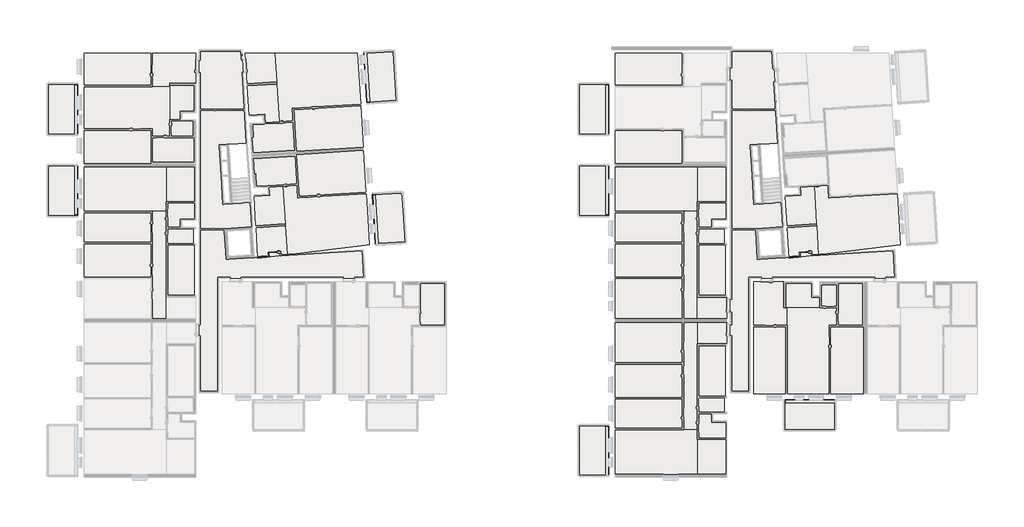
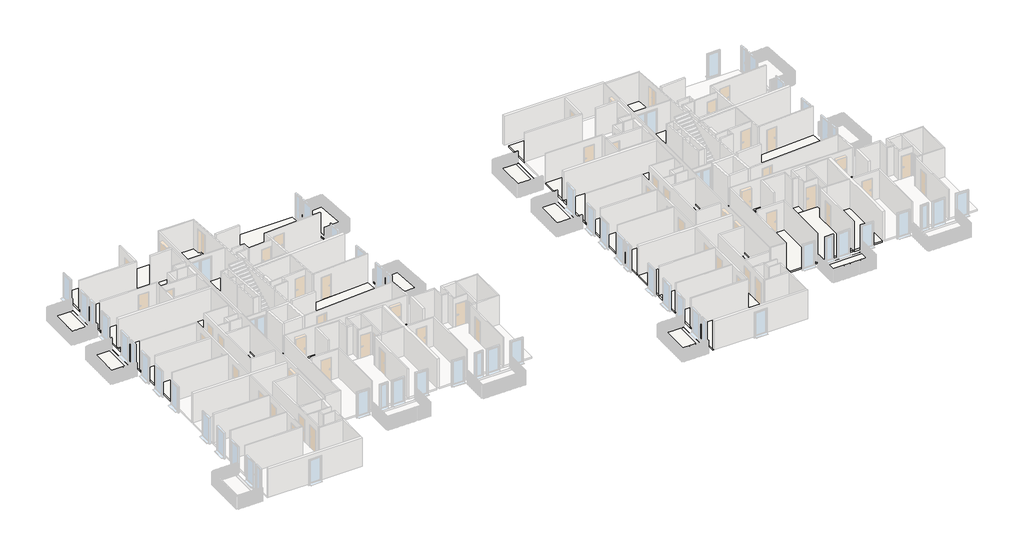
# One storey, part 7 of 8: 68 slabs.
"""IFC4 building model written with IfcOpenShell, lengths in millimetres."""

from ifc_helpers import new_model, si_unit, frame, origin, place, context, project, spatial, polyline, outline, extrude, faceted_brep, element, save

model = new_model("IFC4")

# Units and contexts
model_context = context("Model", 3, world=origin())
ifc_project = project(units=[si_unit("LENGTHUNIT", "METRE", prefix="MILLI")], contexts=[model_context])

# Site, building, storey
site = spatial("IfcSite", under=ifc_project)
building = spatial("IfcBuilding", under=site)
storey = spatial("IfcBuildingStorey", under=building, Elevation=7000.0)

# Slabs
placement = place(None, origin())
element("IfcSlab", 1, at=placement, inside=storey, context=model_context, shape_type="SweptSolid", body=[
    extrude(outline(polyline([(16799.5112257, 16899.4012959), (16799.5112257, 8823.2434159), (15399.5112257, 8823.2434159), (15399.5112257, 33257.8507754), (18433.39126, 33257.8507754), (18842.3075989, 26572.1277324), (16819.5461443, 26448.0068185), (17079.8455329, 22205.9854418), (19101.7638788, 22330.0550533), (19208.8790417, 20578.7376205), (17182.7089753, 20454.8117504), (17317.0157622, 18258.9151939), (19313.2417854, 18381.0096079), (19308.6631449, 18455.8697177), (27044.2722099, 18928.9998366), (27168.4077745, 16899.4012959), (16799.5112257, 16899.4012959)])), frame((0.0, 0.0, 6850.0), z_axis=(0.0, 0.0, 1.0), x_axis=(1.0, 0.0, 0.0)), (0.0, 0.0, 1.0), 150.0),
])
element("IfcSlab", 2, at=placement, inside=storey, context=model_context, shape_type="SweptSolid", body=[
    extrude(outline(polyline([(32969.5112257, 13549.4012959), (31219.5112257, 13549.4012959), (31219.5112257, 14797.6267748), (31219.5112257, 14900.8173193), (31219.5112257, 16549.4012959), (32969.5112257, 16549.4012959), (32969.5112257, 13549.4012959)])), frame((0.0, 0.0, 6850.0), z_axis=(0.0, 0.0, 1.0), x_axis=(1.0, 0.0, 0.0)), (0.0, 0.0, 1.0), 150.0),
])
element("IfcSlab", 3, at=placement, inside=storey, context=model_context, shape_type="SweptSolid", body=[
    extrude(outline(polyline([(22254.6510748, 25649.1348322), (22376.7481538, 23652.8652354), (21378.613366, 23591.8166965), (20382.0708537, 23530.8655454), (20380.478557, 23530.7681563), (20330.5718171, 23527.7157293), (19482.1604372, 23475.8246664), (19427.8752931, 24364.1575393), (19328.0106807, 24358.0575869), (19260.2466795, 25465.9892136), (22254.6510748, 25649.1348322)])), frame((0.0, 0.0, 6850.0), z_axis=(0.0, 0.0, 1.0), x_axis=(1.0, 0.0, 0.0)), (0.0, 0.0, 1.0), 150.0),
])
element("IfcSlab", 4, at=placement, inside=storey, context=model_context, shape_type="SweptSolid", body=[
    extrude(outline(polyline([(19453.8341031, 20668.8598298), (19325.63217, 22764.9429065), (20423.2125347, 22832.0737974), (20386.5834109, 23430.9546765), (21384.71822, 23492.0032167), (21549.5492767, 20797.0392609), (19453.8341031, 20668.8598298)])), frame((0.0, 0.0, 6850.0), z_axis=(0.0, 0.0, 1.0), x_axis=(1.0, 0.0, 0.0)), (0.0, 0.0, 1.0), 150.0),
])
element("IfcSlab", 5, at=placement, inside=storey, context=model_context, shape_type="SweptSolid", body=[
    extrude(outline(polyline([(21684.688137, 18587.5384267), (19596.8127532, 18331.1795644), (19462.991384, 20519.1396101), (21558.7065577, 20647.3190412), (21684.688137, 18587.5384267)])), frame((0.0, 0.0, 6850.0), z_axis=(0.0, 0.0, 1.0), x_axis=(1.0, 0.0, 0.0)), (0.0, 0.0, 1.0), 150.0),
])
element("IfcSlab", 6, at=placement, inside=storey, context=model_context, shape_type="Brep", body=[
    faceted_brep([(27329.0252748, 22953.8908284, 6850.0), (27552.0201886, 19307.9562163, 6850.0), (21684.688137, 18587.5384267, 6850.0), (21558.7065577, 20647.3190412, 6850.0), (21554.1279172, 20722.179151, 6850.0), (21549.5492767, 20797.0392609, 6850.0), (21384.71822, 23492.0032167, 6850.0), (22382.8530078, 23553.0517556, 6850.0), (22437.7966912, 22654.7304725, 6850.0), (27552.0201886, 19307.9562163, 7000.0), (27329.0252748, 22953.8908284, 7000.0), (22437.7966912, 22654.7304725, 7000.0), (22382.8530078, 23553.0517556, 7000.0), (21384.71822, 23492.0032167, 7000.0), (21549.5492767, 20797.0392609, 7000.0), (21554.1279172, 20722.179151, 7000.0), (21558.7065577, 20647.3190412, 7000.0), (21684.688137, 18587.5384267, 7000.0)], [[[0, 1, 2, 3, 4, 5, 6, 7, 8]], [[9, 10, 11, 12, 13, 14, 15, 16, 17]], [[1, 0, 10, 9]], [[2, 1, 9, 17]], [[4, 3, 2, 17, 16, 15]], [[4, 15, 14, 13, 6, 5]], [[7, 6, 13, 12]], [[8, 7, 12, 11]], [[0, 8, 11, 10]]]),
])
element("IfcSlab", 7, at=placement, inside=storey, context=model_context, shape_type="SweptSolid", body=[
    extrude(outline(polyline([(27139.7748044, 26048.108668), (27322.9204209, 23053.7043082), (22531.5053171, 22760.6488063), (22479.6140606, 23609.0633494), (22351.4121276, 25705.1464261), (22348.3597006, 25755.053166), (27139.7748044, 26048.108668)])), frame((0.0, 0.0, 6850.0), z_axis=(0.0, 0.0, 1.0), x_axis=(1.0, 0.0, 0.0)), (0.0, 0.0, 1.0), 150.0),
])
element("IfcSlab", 8, at=placement, inside=storey, context=model_context, shape_type="SweptSolid", body=[
    extrude(outline(polyline([(22229.0106882, 26068.3514476), (19234.6062929, 25885.205829), (19166.8422917, 26993.1374557), (19268.6718177, 26999.3737506), (19214.2917911, 27887.7007149), (20060.7372723, 27939.4715384), (20110.6440122, 27942.5239653), (20112.236309, 27942.6213544), (21108.7788213, 28003.5725055), (22106.9136091, 28064.6210444), (22229.0106882, 26068.3514476)])), frame((0.0, 0.0, 6850.0), z_axis=(0.0, 0.0, 1.0), x_axis=(1.0, 0.0, 0.0)), (0.0, 0.0, 1.0), 150.0),
])
element("IfcSlab", 9, at=placement, inside=storey, context=model_context, shape_type="SweptSolid", body=[
    extrude(outline(polyline([(18970.3296699, 28574.0874333), (18842.1277369, 30670.17051), (20937.8429106, 30798.3499411), (21102.6739673, 28103.3859854), (20104.5391583, 28042.3374452), (20067.9100346, 28641.2183242), (18970.3296699, 28574.0874333)])), frame((0.0, 0.0, 6850.0), z_axis=(0.0, 0.0, 1.0), x_axis=(1.0, 0.0, 0.0)), (0.0, 0.0, 1.0), 150.0),
])
element("IfcSlab", 10, at=placement, inside=storey, context=model_context, shape_type="SweptSolid", body=[
    extrude(outline(polyline([(18699.1490868, 33007.8507754), (20802.7040503, 33007.8507754), (20928.6856297, 30948.0701609), (18832.970456, 30819.8907298), (18699.1490868, 33007.8507754)])), frame((0.0, 0.0, 6850.0), z_axis=(0.0, 0.0, 1.0), x_axis=(1.0, 0.0, 0.0)), (0.0, 0.0, 1.0), 150.0),
])
element("IfcSlab", 11, at=placement, inside=storey, context=model_context, shape_type="Brep", body=[
    faceted_brep([(26937.0936553, 29361.9161633, 6850.0), (22045.8650717, 29062.7558074, 6850.0), (22100.8087551, 28164.4345243, 6850.0), (21102.6739673, 28103.3859854, 6850.0), (20937.8429106, 30798.3499411, 6850.0), (20933.2642701, 30873.210051, 6850.0), (20928.6856297, 30948.0701609, 6850.0), (20802.7040503, 33007.8507754, 6850.0), (26714.0987416, 33007.8507754, 6850.0), (26937.0936553, 29361.9161633, 7000.0), (26714.0987416, 33007.8507754, 7000.0), (20802.7040503, 33007.8507754, 7000.0), (20928.6856297, 30948.0701609, 7000.0), (20933.2642701, 30873.210051, 7000.0), (20937.8429106, 30798.3499411, 7000.0), (21102.6739673, 28103.3859854, 7000.0), (22100.8087551, 28164.4345243, 7000.0), (22045.8650717, 29062.7558074, 7000.0)], [[[0, 1, 2, 3, 4, 5, 6, 7, 8]], [[9, 10, 11, 12, 13, 14, 15, 16, 17]], [[0, 8, 10, 9]], [[8, 7, 11, 10]], [[7, 6, 5, 13, 12, 11]], [[5, 4, 3, 15, 14, 13]], [[3, 2, 16, 15]], [[2, 1, 17, 16]], [[1, 0, 9, 17]]]),
])
element("IfcSlab", 12, at=placement, inside=storey, context=model_context, shape_type="SweptSolid", body=[
    extrude(outline(polyline([(27126.3441257, 26267.6983237), (22334.929022, 25974.6428217), (22331.876595, 26024.5495616), (22203.674662, 28120.6326383), (22151.7834055, 28969.0471815), (26943.1985093, 29262.1026834), (27126.3441257, 26267.6983237)])), frame((0.0, 0.0, 6850.0), z_axis=(0.0, 0.0, 1.0), x_axis=(1.0, 0.0, 0.0)), (0.0, 0.0, 1.0), 150.0),
])
element("IfcSlab", 13, at=placement, inside=storey, context=model_context, shape_type="SweptSolid", body=[
    extrude(outline(polyline([(7149.5112257, 33007.8507754), (11949.5112257, 33007.8507754), (11949.5112257, 30745.4834078), (11949.5112257, 30707.7138078), (7149.5112257, 30707.7138078), (7149.5112257, 33007.8507754)])), frame((0.0, 0.0, 6850.0), z_axis=(0.0, 0.0, 1.0), x_axis=(1.0, 0.0, 0.0)), (0.0, 0.0, 1.0), 150.0),
])
element("IfcSlab", 14, at=placement, inside=storey, context=model_context, shape_type="SweptSolid", body=[
    extrude(outline(polyline([(15149.5112257, 33007.8507754), (15149.5112257, 30857.8507754), (15099.5112257, 30857.8507754), (13299.3319768, 30857.8507754), (13299.3319768, 30607.7138078), (12049.5112257, 30607.7138078), (12049.5112257, 33007.8507754), (15149.5112257, 33007.8507754)])), frame((0.0, 0.0, 6850.0), z_axis=(0.0, 0.0, 1.0), x_axis=(1.0, 0.0, 0.0)), (0.0, 0.0, 1.0), 150.0),
])
element("IfcSlab", 15, at=placement, inside=storey, context=model_context, shape_type="SweptSolid", body=[
    extrude(outline(polyline([(12049.5112257, 25207.8507754), (12049.5112257, 26957.8507754), (13297.7367046, 26957.8507754), (13400.927249, 26957.8507754), (15049.5112257, 26957.8507754), (15049.5112257, 25207.8507754), (12049.5112257, 25207.8507754)])), frame((0.0, 0.0, 6850.0), z_axis=(0.0, 0.0, 1.0), x_axis=(1.0, 0.0, 0.0)), (0.0, 0.0, 1.0), 150.0),
])
element("IfcSlab", 16, at=placement, inside=storey, context=model_context, shape_type="SweptSolid", body=[
    extrude(outline(polyline([(7149.5112257, 25107.8507754), (7149.5112257, 27507.8518111), (11949.5112257, 27507.8518111), (11949.5112257, 27059.4460476), (11949.5112257, 27057.8507754), (11949.5112257, 27007.8507754), (11949.5112257, 26956.2555032), (11949.5112257, 25157.8507754), (11949.5112257, 25107.8507754), (7149.5112257, 25107.8507754)])), frame((0.0, 0.0, 6850.0), z_axis=(0.0, 0.0, 1.0), x_axis=(1.0, 0.0, 0.0)), (0.0, 0.0, 1.0), 150.0),
])
element("IfcSlab", 17, at=placement, inside=storey, context=model_context, shape_type="SweptSolid", body=[
    extrude(outline(polyline([(14949.5112257, 27057.8507754), (13399.3319768, 27057.8507754), (13399.3319768, 28157.8507754), (13437.1015768, 28157.8507754), (14099.5118842, 28157.8507754), (14949.5112257, 28157.8507754), (14949.5112257, 27057.8507754)])), frame((0.0, 0.0, 6850.0), z_axis=(0.0, 0.0, 1.0), x_axis=(1.0, 0.0, 0.0)), (0.0, 0.0, 1.0), 150.0),
])
element("IfcSlab", 18, at=placement, inside=storey, context=model_context, shape_type="SweptSolid", body=[
    extrude(outline(polyline([(14049.5118842, 28257.8507754), (13299.3319768, 28257.8507754), (13299.3319768, 30607.7138078), (13299.3319768, 30707.8507754), (15049.5112257, 30707.8507754), (15049.5112257, 28857.8507754), (14049.5118842, 28857.8507754), (14049.5118842, 28257.8507754)])), frame((0.0, 0.0, 6850.0), z_axis=(0.0, 0.0, 1.0), x_axis=(1.0, 0.0, 0.0)), (0.0, 0.0, 1.0), 150.0),
])
element("IfcSlab", 19, at=placement, inside=storey, context=model_context, shape_type="Brep", body=[
    faceted_brep([(7149.5112257, 27607.8518111, 6850.0), (7149.5112257, 30607.7138078, 6850.0), (11999.5112257, 30607.7138078, 6850.0), (12049.5112257, 30607.7138078, 6850.0), (12152.5208257, 30607.7138078, 6850.0), (13299.3319768, 30607.7138078, 6850.0), (13299.3319768, 28360.8603754, 6850.0), (13299.3319768, 28257.8507754, 6850.0), (13299.3319768, 28207.8507754, 6850.0), (13299.3319768, 27057.8507754, 6850.0), (12049.5112257, 27057.8507754, 6850.0), (12049.5112257, 27607.8518111, 6850.0), (7149.5112257, 27607.8518111, 7000.0), (12049.5112257, 27607.8518111, 7000.0), (12049.5112257, 27057.8507754, 7000.0), (13299.3319768, 27057.8507754, 7000.0), (13299.3319768, 28207.8507754, 7000.0), (13299.3319768, 28257.8507754, 7000.0), (13299.3319768, 28360.8603754, 7000.0), (13299.3319768, 30607.7138078, 7000.0), (12152.5208257, 30607.7138078, 7000.0), (12049.5112257, 30607.7138078, 7000.0), (11999.5112257, 30607.7138078, 7000.0), (7149.5112257, 30607.7138078, 7000.0)], [[[0, 1, 2, 3, 4, 5, 6, 7, 8, 9, 10, 11]], [[12, 13, 14, 15, 16, 17, 18, 19, 20, 21, 22, 23]], [[1, 0, 12, 23]], [[2, 1, 23, 22]], [[4, 3, 2, 22, 21, 20]], [[5, 4, 20, 19]], [[6, 5, 19, 18]], [[8, 7, 6, 18, 17, 16]], [[9, 8, 16, 15]], [[10, 9, 15, 14]], [[11, 10, 14, 13]], [[0, 11, 13, 12]]]),
])
element("IfcSlab", 20, at=placement, inside=storey, context=model_context, shape_type="SweptSolid", body=[
    extrude(outline(polyline([(7149.5112471, 19387.853908), (11949.5112159, 19387.853908), (11949.5112159, 16987.853908), (7149.5112471, 16987.853908), (7149.5112471, 19387.853908)])), frame((0.0, 0.0, 6850.0), z_axis=(0.0, 0.0, 1.0), x_axis=(1.0, 0.0, 0.0)), (0.0, 0.0, 1.0), 150.0),
])
element("IfcSlab", 21, at=placement, inside=storey, context=model_context, shape_type="SweptSolid", body=[
    extrude(outline(polyline([(7149.5112471, 21587.853908), (11949.5112159, 21587.853908), (11949.5112159, 21550.084308), (11949.5112159, 19487.853908), (7149.5112471, 19487.853908), (7149.5112471, 21587.853908)])), frame((0.0, 0.0, 6850.0), z_axis=(0.0, 0.0, 1.0), x_axis=(1.0, 0.0, 0.0)), (0.0, 0.0, 1.0), 150.0),
])
element("IfcSlab", 22, at=placement, inside=storey, context=model_context, shape_type="Brep", body=[
    faceted_brep([(7149.5112471, 24887.8507754, 6850.0), (13024.5098195, 24887.8507754, 6850.0), (13024.5100626, 22387.850875, 6850.0), (13024.5101306, 21687.853908, 6850.0), (12152.5208159, 21687.853908, 6850.0), (12049.5112159, 21687.853908, 6850.0), (11999.5112159, 21687.853908, 6850.0), (7149.5112471, 21687.853908, 6850.0), (7149.5112471, 24887.8507754, 7000.0), (7149.5112471, 21687.853908, 7000.0), (11999.5112159, 21687.853908, 7000.0), (12049.5112159, 21687.853908, 7000.0), (12152.5208159, 21687.853908, 7000.0), (13024.5101306, 21687.853908, 7000.0), (13024.5100626, 22387.850875, 7000.0), (13024.5098195, 24887.8507754, 7000.0)], [[[0, 1, 2, 3, 4, 5, 6, 7]], [[8, 9, 10, 11, 12, 13, 14, 15]], [[0, 7, 9, 8]], [[7, 6, 10, 9]], [[6, 5, 4, 12, 11, 10]], [[4, 3, 13, 12]], [[3, 2, 1, 15, 14, 13]], [[1, 0, 8, 15]]]),
])
element("IfcSlab", 23, at=placement, inside=storey, context=model_context, shape_type="SweptSolid", body=[
    extrude(outline(polyline([(15084.5112471, 21137.8507754), (14049.5112471, 21137.8507754), (14049.5112471, 20537.8507754), (13124.5095814, 20537.8507754), (13124.5094696, 21687.8539128), (13124.5094113, 22287.8508848), (15084.5112471, 22287.8510753), (15084.5112471, 21137.8507754)])), frame((0.0, 0.0, 6850.0), z_axis=(0.0, 0.0, 1.0), x_axis=(1.0, 0.0, 0.0)), (0.0, 0.0, 1.0), 150.0),
])
element("IfcSlab", 24, at=placement, inside=storey, context=model_context, shape_type="SweptSolid", body=[
    extrude(outline(polyline([(14099.5112471, 20437.8507754), (14949.5113895, 20437.8507754), (14949.5113895, 19387.8507754), (13124.5096932, 19387.8507754), (13124.5095911, 20437.8507754), (14099.5112471, 20437.8507754)])), frame((0.0, 0.0, 6850.0), z_axis=(0.0, 0.0, 1.0), x_axis=(1.0, 0.0, 0.0)), (0.0, 0.0, 1.0), 150.0),
])
element("IfcSlab", 25, at=placement, inside=storey, context=model_context, shape_type="SweptSolid", body=[
    extrude(outline(polyline([(15024.5113895, 15687.8507754), (13162.2809895, 15687.8507754), (13124.5100528, 15687.8507754), (13124.5097029, 19287.8507754), (15024.5113895, 19287.8507754), (15024.5113895, 15687.8507754)])), frame((0.0, 0.0, 6850.0), z_axis=(0.0, 0.0, 1.0), x_axis=(1.0, 0.0, 0.0)), (0.0, 0.0, 1.0), 150.0),
])
element("IfcSlab", 26, at=placement, inside=storey, context=model_context, shape_type="Brep", body=[
    faceted_brep([(12049.5112159, 16937.853908, 6850.0), (12049.5112159, 19437.853908, 6850.0), (12049.5112159, 21687.853908, 6850.0), (13024.5094696, 21687.853908, 6850.0), (13024.5095862, 20487.8507705, 6850.0), (13024.509698, 19337.8507705, 6850.0), (13024.5100601, 15612.8507854, 6850.0), (13024.5100601, 15537.8507754, 6850.0), (13024.5100601, 15459.8411754, 6850.0), (13024.5100601, 13987.853908, 6850.0), (12049.5112159, 13987.853908, 6850.0), (12049.5112159, 16937.853908, 7000.0), (12049.5112159, 13987.853908, 7000.0), (13024.5100601, 13987.853908, 7000.0), (13024.5100601, 15459.8411754, 7000.0), (13024.5100601, 15537.8507754, 7000.0), (13024.5100601, 15612.8507854, 7000.0), (13024.509698, 19337.8507705, 7000.0), (13024.5095862, 20487.8507705, 7000.0), (13024.5094696, 21687.853908, 7000.0), (12049.5112159, 21687.853908, 7000.0), (12049.5112159, 19437.853908, 7000.0)], [[[0, 1, 2, 3, 4, 5, 6, 7, 8, 9, 10]], [[11, 12, 13, 14, 15, 16, 17, 18, 19, 20, 21]], [[0, 10, 12, 11]], [[10, 9, 13, 12]], [[9, 8, 14, 13]], [[8, 7, 6, 16, 15, 14]], [[6, 5, 17, 16]], [[5, 4, 18, 17]], [[4, 3, 19, 18]], [[3, 2, 20, 19]], [[2, 1, 21, 20]], [[1, 0, 11, 21]]]),
])
element("IfcSlab", 27, at=placement, inside=storey, context=model_context, shape_type="SweptSolid", body=[
    extrude(outline(polyline([(15084.5112471, 22387.8510753), (13024.5100626, 22387.850875), (13024.5098195, 24887.8507754), (15084.5112471, 24887.8507754), (15084.5112471, 22387.8510753)])), frame((0.0, 0.0, 6850.0), z_axis=(0.0, 0.0, 1.0), x_axis=(1.0, 0.0, 0.0)), (0.0, 0.0, 1.0), 150.0),
])
element("IfcSlab", 28, at=placement, inside=storey, context=model_context, shape_type="SweptSolid", body=[
    extrude(outline(polyline([(54799.5112257, 16899.4012959), (54799.5112257, 8823.2434159), (53399.5112257, 8823.2434159), (53399.5112257, 33157.8507754), (56439.507522, 33157.8507754), (56842.3075989, 26572.1277324), (54819.5461443, 26448.0068185), (55079.8455329, 22205.9854418), (57101.7638788, 22330.0550533), (57208.8790417, 20578.7376205), (55182.7089753, 20454.8117504), (55317.0157622, 18258.9151939), (57313.2417854, 18381.0096079), (57308.6631449, 18455.8697177), (65044.2722099, 18928.9998366), (65168.4077745, 16899.4012959), (54799.5112257, 16899.4012959)])), frame((0.0, 0.0, 6850.0), z_axis=(0.0, 0.0, 1.0), x_axis=(1.0, 0.0, 0.0)), (0.0, 0.0, 1.0), 150.0),
])
element("IfcSlab", 29, at=placement, inside=storey, context=model_context, shape_type="SweptSolid", body=[
    extrude(outline(polyline([(57453.8341031, 20668.8598298), (57325.63217, 22764.9429065), (58423.2125347, 22832.0737974), (58386.5834109, 23430.9546765), (59384.71822, 23492.0032167), (59549.5492767, 20797.0392609), (57453.8341031, 20668.8598298)])), frame((0.0, 0.0, 6850.0), z_axis=(0.0, 0.0, 1.0), x_axis=(1.0, 0.0, 0.0)), (0.0, 0.0, 1.0), 150.0),
])
element("IfcSlab", 30, at=placement, inside=storey, context=model_context, shape_type="SweptSolid", body=[
    extrude(outline(polyline([(59684.688137, 18587.5384267), (57596.8127532, 18331.1795644), (57462.991384, 20519.1396101), (59558.7065577, 20647.3190412), (59684.688137, 18587.5384267)])), frame((0.0, 0.0, 6850.0), z_axis=(0.0, 0.0, 1.0), x_axis=(1.0, 0.0, 0.0)), (0.0, 0.0, 1.0), 150.0),
])
element("IfcSlab", 31, at=placement, inside=storey, context=model_context, shape_type="Brep", body=[
    faceted_brep([(65329.0252748, 22953.8908284, 6850.0), (65552.0201886, 19307.9562163, 6850.0), (59684.688137, 18587.5384267, 6850.0), (59558.7065577, 20647.3190412, 6850.0), (59554.1279172, 20722.179151, 6850.0), (59549.5492767, 20797.0392609, 6850.0), (59384.71822, 23492.0032167, 6850.0), (60382.8530078, 23553.0517556, 6850.0), (60437.7966912, 22654.7304725, 6850.0), (65552.0201886, 19307.9562163, 7000.0), (65329.0252748, 22953.8908284, 7000.0), (60437.7966912, 22654.7304725, 7000.0), (60382.8530078, 23553.0517556, 7000.0), (59384.71822, 23492.0032167, 7000.0), (59549.5492767, 20797.0392609, 7000.0), (59554.1279172, 20722.179151, 7000.0), (59558.7065577, 20647.3190412, 7000.0), (59684.688137, 18587.5384267, 7000.0)], [[[0, 1, 2, 3, 4, 5, 6, 7, 8]], [[9, 10, 11, 12, 13, 14, 15, 16, 17]], [[1, 0, 10, 9]], [[2, 1, 9, 17]], [[4, 3, 2, 17, 16, 15]], [[4, 15, 14, 13, 6, 5]], [[7, 6, 13, 12]], [[8, 7, 12, 11]], [[0, 8, 11, 10]]]),
])
element("IfcSlab", 32, at=placement, inside=storey, context=model_context, shape_type="SweptSolid", body=[
    extrude(outline(polyline([(55049.5112257, 8649.4012959), (55049.5112257, 13449.4012959), (57311.8785933, 13449.4012959), (57349.6481933, 13449.4012959), (57349.6481933, 8649.4012959), (55049.5112257, 8649.4012959)])), frame((0.0, 0.0, 6850.0), z_axis=(0.0, 0.0, 1.0), x_axis=(1.0, 0.0, 0.0)), (0.0, 0.0, 1.0), 150.0),
])
element("IfcSlab", 33, at=placement, inside=storey, context=model_context, shape_type="SweptSolid", body=[
    extrude(outline(polyline([(55049.5112257, 16649.4012959), (57199.5112257, 16649.4012959), (57199.5112257, 16599.4012959), (57199.5112257, 14799.2220471), (57449.6481933, 14799.2220471), (57449.6481933, 13549.4012959), (55049.5112257, 13549.4012959), (55049.5112257, 16649.4012959)])), frame((0.0, 0.0, 6850.0), z_axis=(0.0, 0.0, 1.0), x_axis=(1.0, 0.0, 0.0)), (0.0, 0.0, 1.0), 150.0),
])
element("IfcSlab", 34, at=placement, inside=storey, context=model_context, shape_type="SweptSolid", body=[
    extrude(outline(polyline([(62849.5112257, 13549.4012959), (61099.5112257, 13549.4012959), (61099.5112257, 14797.6267748), (61099.5112257, 14900.8173193), (61099.5112257, 16549.4012959), (62849.5112257, 16549.4012959), (62849.5112257, 13549.4012959)])), frame((0.0, 0.0, 6850.0), z_axis=(0.0, 0.0, 1.0), x_axis=(1.0, 0.0, 0.0)), (0.0, 0.0, 1.0), 150.0),
])
element("IfcSlab", 35, at=placement, inside=storey, context=model_context, shape_type="SweptSolid", body=[
    extrude(outline(polyline([(62949.5112257, 8649.4012959), (60549.51019, 8649.4012959), (60549.51019, 13449.4012959), (60997.9159534, 13449.4012959), (60999.5112257, 13449.4012959), (61049.5112257, 13449.4012959), (61101.1064979, 13449.4012959), (62899.5112257, 13449.4012959), (62949.5112257, 13449.4012959), (62949.5112257, 8649.4012959)])), frame((0.0, 0.0, 6850.0), z_axis=(0.0, 0.0, 1.0), x_axis=(1.0, 0.0, 0.0)), (0.0, 0.0, 1.0), 150.0),
])
element("IfcSlab", 36, at=placement, inside=storey, context=model_context, shape_type="SweptSolid", body=[
    extrude(outline(polyline([(60999.5112257, 16449.4012959), (60999.5112257, 14899.2220471), (59899.5112257, 14899.2220471), (59899.5112257, 14936.9916471), (59899.5112257, 15599.4019544), (59899.5112257, 16449.4012959), (60999.5112257, 16449.4012959)])), frame((0.0, 0.0, 6850.0), z_axis=(0.0, 0.0, 1.0), x_axis=(1.0, 0.0, 0.0)), (0.0, 0.0, 1.0), 150.0),
])
element("IfcSlab", 37, at=placement, inside=storey, context=model_context, shape_type="SweptSolid", body=[
    extrude(outline(polyline([(59799.5112257, 15549.4019544), (59799.5112257, 14799.2220471), (57449.6481933, 14799.2220471), (57349.5112257, 14799.2220471), (57349.5112257, 16549.4012959), (59199.5112257, 16549.4012959), (59199.5112257, 15549.4019544), (59799.5112257, 15549.4019544)])), frame((0.0, 0.0, 6850.0), z_axis=(0.0, 0.0, 1.0), x_axis=(1.0, 0.0, 0.0)), (0.0, 0.0, 1.0), 150.0),
])
element("IfcSlab", 38, at=placement, inside=storey, context=model_context, shape_type="Brep", body=[
    faceted_brep([(60449.51019, 8649.4012959, 6850.0), (57449.6481933, 8649.4012959, 6850.0), (57449.6481933, 13499.4012959, 6850.0), (57449.6481933, 13549.4012959, 6850.0), (57449.6481933, 13652.4108959, 6850.0), (57449.6481933, 14799.2220471, 6850.0), (59696.5016257, 14799.2220471, 6850.0), (59799.5112257, 14799.2220471, 6850.0), (59849.5112257, 14799.2220471, 6850.0), (60999.5112257, 14799.2220471, 6850.0), (60999.5112257, 13549.4012959, 6850.0), (60449.51019, 13549.4012959, 6850.0), (60449.51019, 8649.4012959, 7000.0), (60449.51019, 13549.4012959, 7000.0), (60999.5112257, 13549.4012959, 7000.0), (60999.5112257, 14799.2220471, 7000.0), (59849.5112257, 14799.2220471, 7000.0), (59799.5112257, 14799.2220471, 7000.0), (59696.5016257, 14799.2220471, 7000.0), (57449.6481933, 14799.2220471, 7000.0), (57449.6481933, 13652.4108959, 7000.0), (57449.6481933, 13549.4012959, 7000.0), (57449.6481933, 13499.4012959, 7000.0), (57449.6481933, 8649.4012959, 7000.0)], [[[0, 1, 2, 3, 4, 5, 6, 7, 8, 9, 10, 11]], [[12, 13, 14, 15, 16, 17, 18, 19, 20, 21, 22, 23]], [[1, 0, 12, 23]], [[2, 1, 23, 22]], [[4, 3, 2, 22, 21, 20]], [[5, 4, 20, 19]], [[6, 5, 19, 18]], [[8, 7, 6, 18, 17, 16]], [[9, 8, 16, 15]], [[10, 9, 15, 14]], [[11, 10, 14, 13]], [[0, 11, 13, 12]]]),
])
element("IfcSlab", 39, at=placement, inside=storey, context=model_context, shape_type="SweptSolid", body=[
    extrude(outline(polyline([(45149.5112257, 33007.8507754), (49949.5112257, 33007.8507754), (49949.5112257, 30745.4834078), (49949.5112257, 30707.7138078), (45149.5112257, 30707.7138078), (45149.5112257, 33007.8507754)])), frame((0.0, 0.0, 6850.0), z_axis=(0.0, 0.0, 1.0), x_axis=(1.0, 0.0, 0.0)), (0.0, 0.0, 1.0), 150.0),
])
element("IfcSlab", 40, at=placement, inside=storey, context=model_context, shape_type="SweptSolid", body=[
    extrude(outline(polyline([(45149.5112257, 25107.8507754), (45149.5112257, 27507.8518111), (49949.5112257, 27507.8518111), (49949.5112257, 27059.4460476), (49949.5112257, 27057.8507754), (49949.5112257, 27007.8507754), (49949.5112257, 26956.2555032), (49949.5112257, 25157.8507754), (49949.5112257, 25107.8507754), (45149.5112257, 25107.8507754)])), frame((0.0, 0.0, 6850.0), z_axis=(0.0, 0.0, 1.0), x_axis=(1.0, 0.0, 0.0)), (0.0, 0.0, 1.0), 150.0),
])
element("IfcSlab", 41, at=placement, inside=storey, context=model_context, shape_type="SweptSolid", body=[
    extrude(outline(polyline([(45149.5112471, 16887.853908), (49949.5112159, 16887.853908), (49949.5112159, 13987.853908), (45149.5112471, 13987.853908), (45149.5112471, 16887.853908)])), frame((0.0, 0.0, 6850.0), z_axis=(0.0, 0.0, 1.0), x_axis=(1.0, 0.0, 0.0)), (0.0, 0.0, 1.0), 150.0),
])
element("IfcSlab", 42, at=placement, inside=storey, context=model_context, shape_type="SweptSolid", body=[
    extrude(outline(polyline([(45149.5112471, 19387.853908), (49949.5112159, 19387.853908), (49949.5112159, 16987.853908), (45149.5112471, 16987.853908), (45149.5112471, 19387.853908)])), frame((0.0, 0.0, 6850.0), z_axis=(0.0, 0.0, 1.0), x_axis=(1.0, 0.0, 0.0)), (0.0, 0.0, 1.0), 150.0),
])
element("IfcSlab", 43, at=placement, inside=storey, context=model_context, shape_type="SweptSolid", body=[
    extrude(outline(polyline([(45149.5112471, 21587.853908), (49949.5112159, 21587.853908), (49949.5112159, 21550.084308), (49949.5112159, 19487.853908), (45149.5112471, 19487.853908), (45149.5112471, 21587.853908)])), frame((0.0, 0.0, 6850.0), z_axis=(0.0, 0.0, 1.0), x_axis=(1.0, 0.0, 0.0)), (0.0, 0.0, 1.0), 150.0),
])
element("IfcSlab", 44, at=placement, inside=storey, context=model_context, shape_type="Brep", body=[
    faceted_brep([(45149.5112471, 24887.8507754, 6850.0), (51024.5098195, 24887.8507754, 6850.0), (51024.5100626, 22387.850875, 6850.0), (51024.5101306, 21687.853908, 6850.0), (50152.5208159, 21687.853908, 6850.0), (50049.5112159, 21687.853908, 6850.0), (49999.5112159, 21687.853908, 6850.0), (45149.5112471, 21687.853908, 6850.0), (45149.5112471, 24887.8507754, 7000.0), (45149.5112471, 21687.853908, 7000.0), (49999.5112159, 21687.853908, 7000.0), (50049.5112159, 21687.853908, 7000.0), (50152.5208159, 21687.853908, 7000.0), (51024.5101306, 21687.853908, 7000.0), (51024.5100626, 22387.850875, 7000.0), (51024.5098195, 24887.8507754, 7000.0)], [[[0, 1, 2, 3, 4, 5, 6, 7]], [[8, 9, 10, 11, 12, 13, 14, 15]], [[0, 7, 9, 8]], [[7, 6, 10, 9]], [[6, 5, 4, 12, 11, 10]], [[4, 3, 13, 12]], [[3, 2, 1, 15, 14, 13]], [[1, 0, 8, 15]]]),
])
element("IfcSlab", 45, at=placement, inside=storey, context=model_context, shape_type="SweptSolid", body=[
    extrude(outline(polyline([(53084.5112471, 21137.8507754), (52049.5112471, 21137.8507754), (52049.5112471, 20537.8507754), (51124.5095814, 20537.8507754), (51124.5094696, 21687.8539128), (51124.5094113, 22287.8508848), (53084.5112471, 22287.8510753), (53084.5112471, 21137.8507754)])), frame((0.0, 0.0, 6850.0), z_axis=(0.0, 0.0, 1.0), x_axis=(1.0, 0.0, 0.0)), (0.0, 0.0, 1.0), 150.0),
])
element("IfcSlab", 46, at=placement, inside=storey, context=model_context, shape_type="SweptSolid", body=[
    extrude(outline(polyline([(52099.5112471, 20437.8507754), (52949.5113895, 20437.8507754), (52949.5113895, 19387.8507754), (51124.5096932, 19387.8507754), (51124.5095911, 20437.8507754), (52099.5112471, 20437.8507754)])), frame((0.0, 0.0, 6850.0), z_axis=(0.0, 0.0, 1.0), x_axis=(1.0, 0.0, 0.0)), (0.0, 0.0, 1.0), 150.0),
])
element("IfcSlab", 47, at=placement, inside=storey, context=model_context, shape_type="SweptSolid", body=[
    extrude(outline(polyline([(53024.5113895, 15687.8507754), (51162.2809895, 15687.8507754), (51124.5100528, 15687.8507754), (51124.5097029, 19287.8507754), (53024.5113895, 19287.8507754), (53024.5113895, 15687.8507754)])), frame((0.0, 0.0, 6850.0), z_axis=(0.0, 0.0, 1.0), x_axis=(1.0, 0.0, 0.0)), (0.0, 0.0, 1.0), 150.0),
])
element("IfcSlab", 48, at=placement, inside=storey, context=model_context, shape_type="Brep", body=[
    faceted_brep([(50049.5112159, 16937.853908, 6850.0), (50049.5112159, 19437.853908, 6850.0), (50049.5112159, 21687.853908, 6850.0), (51024.5094696, 21687.853908, 6850.0), (51024.5095862, 20487.8507705, 6850.0), (51024.509698, 19337.8507705, 6850.0), (51024.5100601, 15612.8507854, 6850.0), (51024.5100601, 15537.8507754, 6850.0), (51024.5100601, 15459.8411754, 6850.0), (51024.5100601, 13987.853908, 6850.0), (50049.5112159, 13987.853908, 6850.0), (50049.5112159, 16937.853908, 7000.0), (50049.5112159, 13987.853908, 7000.0), (51024.5100601, 13987.853908, 7000.0), (51024.5100601, 15459.8411754, 7000.0), (51024.5100601, 15537.8507754, 7000.0), (51024.5100601, 15612.8507854, 7000.0), (51024.509698, 19337.8507705, 7000.0), (51024.5095862, 20487.8507705, 7000.0), (51024.5094696, 21687.853908, 7000.0), (50049.5112159, 21687.853908, 7000.0), (50049.5112159, 19437.853908, 7000.0)], [[[0, 1, 2, 3, 4, 5, 6, 7, 8, 9, 10]], [[11, 12, 13, 14, 15, 16, 17, 18, 19, 20, 21]], [[0, 10, 12, 11]], [[10, 9, 13, 12]], [[9, 8, 14, 13]], [[8, 7, 6, 16, 15, 14]], [[6, 5, 17, 16]], [[5, 4, 18, 17]], [[4, 3, 19, 18]], [[3, 2, 20, 19]], [[2, 1, 21, 20]], [[1, 0, 11, 21]]]),
])
element("IfcSlab", 49, at=placement, inside=storey, context=model_context, shape_type="SweptSolid", body=[
    extrude(outline(polyline([(51024.5113895, 15537.8507754), (53087.0113895, 15537.8507754), (53149.5112471, 15537.8507754), (53149.5112471, 13987.853908), (51024.5113895, 13987.853908), (51024.5113895, 15537.8507754)])), frame((0.0, 0.0, 6850.0), z_axis=(0.0, 0.0, 1.0), x_axis=(1.0, 0.0, 0.0)), (0.0, 0.0, 1.0), 150.0),
])
element("IfcSlab", 50, at=placement, inside=storey, context=model_context, shape_type="SweptSolid", body=[
    extrude(outline(polyline([(53084.5112471, 22387.8510753), (51024.5100626, 22387.850875), (51024.5098195, 24887.8507754), (53084.5112471, 24887.8507754), (53084.5112471, 22387.8510753)])), frame((0.0, 0.0, 6850.0), z_axis=(0.0, 0.0, 1.0), x_axis=(1.0, 0.0, 0.0)), (0.0, 0.0, 1.0), 150.0),
])
element("IfcSlab", 51, at=placement, inside=storey, context=model_context, shape_type="SweptSolid", body=[
    extrude(outline(polyline([(45149.5112257, 10867.853908), (45149.5112257, 13767.853908), (49949.5111946, 13767.853908), (49949.5111946, 10867.853908), (45149.5112257, 10867.853908)])), frame((0.0, 0.0, 6850.0), z_axis=(0.0, 0.0, 1.0), x_axis=(1.0, 0.0, 0.0)), (0.0, 0.0, 1.0), 150.0),
])
element("IfcSlab", 52, at=placement, inside=storey, context=model_context, shape_type="SweptSolid", body=[
    extrude(outline(polyline([(45149.5112257, 8367.853908), (45149.5112257, 10767.853908), (49949.5111946, 10767.853908), (49949.5111946, 8367.853908), (45149.5112257, 8367.853908)])), frame((0.0, 0.0, 6850.0), z_axis=(0.0, 0.0, 1.0), x_axis=(1.0, 0.0, 0.0)), (0.0, 0.0, 1.0), 150.0),
])
element("IfcSlab", 53, at=placement, inside=storey, context=model_context, shape_type="SweptSolid", body=[
    extrude(outline(polyline([(45149.5112257, 6167.853908), (45149.5112257, 8267.853908), (49949.5111946, 8267.853908), (49949.5111946, 6205.623508), (49949.5111946, 6167.853908), (45149.5112257, 6167.853908)])), frame((0.0, 0.0, 6850.0), z_axis=(0.0, 0.0, 1.0), x_axis=(1.0, 0.0, 0.0)), (0.0, 0.0, 1.0), 150.0),
])
element("IfcSlab", 54, at=placement, inside=storey, context=model_context, shape_type="Brep", body=[
    faceted_brep([(45149.5112257, 2867.8570406, 6850.0), (45149.5112257, 6067.853908, 6850.0), (49999.5111946, 6067.853908, 6850.0), (50049.5111946, 6067.853908, 6850.0), (50152.5207946, 6067.853908, 6850.0), (51024.5101092, 6067.853908, 6850.0), (51024.5100412, 5367.8569409, 6850.0), (51024.5097982, 2867.8570406, 6850.0), (45149.5112257, 2867.8570406, 7000.0), (51024.5097982, 2867.8570406, 7000.0), (51024.5100412, 5367.8569409, 7000.0), (51024.5101092, 6067.853908, 7000.0), (50152.5207946, 6067.853908, 7000.0), (50049.5111946, 6067.853908, 7000.0), (49999.5111946, 6067.853908, 7000.0), (45149.5112257, 6067.853908, 7000.0)], [[[0, 1, 2, 3, 4, 5, 6, 7]], [[8, 9, 10, 11, 12, 13, 14, 15]], [[1, 0, 8, 15]], [[2, 1, 15, 14]], [[4, 3, 2, 14, 13, 12]], [[5, 4, 12, 11]], [[7, 6, 5, 11, 10, 9]], [[0, 7, 9, 8]]]),
])
element("IfcSlab", 55, at=placement, inside=storey, context=model_context, shape_type="SweptSolid", body=[
    extrude(outline(polyline([(53084.5112257, 6617.8570406), (53084.5112257, 5467.8567407), (51124.5093899, 5467.8569312), (51124.5094482, 6067.8539031), (51124.50956, 7217.8570406), (52049.5112257, 7217.8570406), (52049.5112257, 6617.8570406), (53084.5112257, 6617.8570406)])), frame((0.0, 0.0, 6850.0), z_axis=(0.0, 0.0, 1.0), x_axis=(1.0, 0.0, 0.0)), (0.0, 0.0, 1.0), 150.0),
])
element("IfcSlab", 56, at=placement, inside=storey, context=model_context, shape_type="SweptSolid", body=[
    extrude(outline(polyline([(52099.5112257, 7317.8570406), (51124.5095697, 7317.8570406), (51124.5096718, 8367.8570406), (52949.5113681, 8367.8570406), (52949.5113681, 7317.8570406), (52099.5112257, 7317.8570406)])), frame((0.0, 0.0, 6850.0), z_axis=(0.0, 0.0, 1.0), x_axis=(1.0, 0.0, 0.0)), (0.0, 0.0, 1.0), 150.0),
])
element("IfcSlab", 57, at=placement, inside=storey, context=model_context, shape_type="SweptSolid", body=[
    extrude(outline(polyline([(53024.5113681, 12067.8570406), (53024.5113681, 8467.8570406), (51124.5096815, 8467.8570406), (51124.5100315, 12067.8570406), (51162.2809681, 12067.8570406), (53024.5113681, 12067.8570406)])), frame((0.0, 0.0, 6850.0), z_axis=(0.0, 0.0, 1.0), x_axis=(1.0, 0.0, 0.0)), (0.0, 0.0, 1.0), 150.0),
])
element("IfcSlab", 58, at=placement, inside=storey, context=model_context, shape_type="Brep", body=[
    faceted_brep([(50049.5111946, 10817.853908, 6850.0), (50049.5111946, 13767.853908, 6850.0), (51024.5100387, 13767.853908, 6850.0), (51024.5100387, 12295.8666406, 6850.0), (51024.5100387, 12217.8570406, 6850.0), (51024.5100387, 12142.8570305, 6850.0), (51024.5096766, 8417.8570454, 6850.0), (51024.5095649, 7267.8570454, 6850.0), (51024.5094482, 6067.853908, 6850.0), (50049.5111946, 6067.853908, 6850.0), (50049.5111946, 8317.853908, 6850.0), (50049.5111946, 10817.853908, 7000.0), (50049.5111946, 8317.853908, 7000.0), (50049.5111946, 6067.853908, 7000.0), (51024.5094482, 6067.853908, 7000.0), (51024.5095649, 7267.8570454, 7000.0), (51024.5096766, 8417.8570454, 7000.0), (51024.5100387, 12142.8570305, 7000.0), (51024.5100387, 12217.8570406, 7000.0), (51024.5100387, 12295.8666406, 7000.0), (51024.5100387, 13767.853908, 7000.0), (50049.5111946, 13767.853908, 7000.0)], [[[0, 1, 2, 3, 4, 5, 6, 7, 8, 9, 10]], [[11, 12, 13, 14, 15, 16, 17, 18, 19, 20, 21]], [[1, 0, 11, 21]], [[2, 1, 21, 20]], [[3, 2, 20, 19]], [[5, 4, 3, 19, 18, 17]], [[6, 5, 17, 16]], [[7, 6, 16, 15]], [[8, 7, 15, 14]], [[9, 8, 14, 13]], [[10, 9, 13, 12]], [[0, 10, 12, 11]]]),
])
element("IfcSlab", 59, at=placement, inside=storey, context=model_context, shape_type="SweptSolid", body=[
    extrude(outline(polyline([(51024.5113681, 12217.8570406), (51024.5113681, 13767.853908), (53149.5112257, 13767.853908), (53149.5112257, 12217.8570406), (53087.0113681, 12217.8570406), (51024.5113681, 12217.8570406)])), frame((0.0, 0.0, 6850.0), z_axis=(0.0, 0.0, 1.0), x_axis=(1.0, 0.0, 0.0)), (0.0, 0.0, 1.0), 150.0),
])
element("IfcSlab", 60, at=placement, inside=storey, context=model_context, shape_type="SweptSolid", body=[
    extrude(outline(polyline([(53084.5112257, 5367.8567407), (53084.5112257, 2867.8570406), (51024.5097982, 2867.8570406), (51024.5100412, 5367.8569409), (53084.5112257, 5367.8567407)])), frame((0.0, 0.0, 6850.0), z_axis=(0.0, 0.0, 1.0), x_axis=(1.0, 0.0, 0.0)), (0.0, 0.0, 1.0), 150.0),
])
element("IfcSlab", 61, ObjectType="O_Balkon (12)", at=placement, inside=storey, context=model_context, shape_type="Brep", body=[
    faceted_brep([(4609.5112064, 27241.429446, 6850.0), (4609.5112064, 30741.429446, 6850.0), (6699.5112257, 30741.429446, 6850.0), (6699.5112257, 27241.429446, 6850.0), (4609.5112064, 30741.429446, 6970.0), (4609.5112064, 27241.429446, 6970.0), (6454.5122211, 27241.429446, 6970.0), (6454.5122211, 30728.929446, 6970.0), (6694.5122211, 30728.929446, 6970.0), (6694.5122211, 27241.429446, 6970.0), (6699.5112257, 27241.429446, 6970.0), (6699.5112257, 30741.429446, 6970.0), (6694.5122211, 27241.429446, 6940.0), (6454.5122211, 27241.429446, 6940.0), (6694.5122211, 30728.929446, 6940.0), (6454.5122211, 30728.929446, 6940.0)], [[[0, 1, 2, 3]], [[4, 5, 6, 7, 8, 9, 10, 11]], [[1, 0, 5, 4]], [[2, 1, 4, 11]], [[3, 2, 11, 10]], [[0, 3, 10, 9, 12, 13, 6, 5]], [[14, 15, 13, 12]], [[8, 14, 12, 9]], [[15, 14, 8, 7]], [[15, 7, 6, 13]]]),
])
element("IfcSlab", 62, ObjectType="O_Balkon (12)", at=placement, inside=storey, context=model_context, shape_type="Brep", body=[
    faceted_brep([(4609.5112278, 21420.9194272, 6850.0), (4609.5112278, 24920.9194272, 6850.0), (6699.5112471, 24920.9194272, 6850.0), (6699.5112471, 21420.9194272, 6850.0), (4609.5112278, 24920.9194272, 6970.0), (4609.5112278, 21420.9194272, 6970.0), (6699.5112471, 21420.9194272, 6970.0), (6699.5112471, 24920.9194272, 6970.0), (6694.5122424, 24920.9194272, 6970.0), (6694.5122424, 21433.4194272, 6970.0), (6454.5122424, 21433.4194272, 6970.0), (6454.5122424, 24920.9194272, 6970.0), (6454.5122424, 24920.9194272, 6940.0), (6694.5122424, 24920.9194272, 6940.0), (6454.5122424, 21433.4194272, 6940.0), (6694.5122424, 21433.4194272, 6940.0)], [[[0, 1, 2, 3]], [[4, 5, 6, 7, 8, 9, 10, 11]], [[1, 0, 5, 4]], [[0, 3, 6, 5]], [[3, 2, 7, 6]], [[2, 1, 4, 11, 12, 13, 8, 7]], [[14, 15, 13, 12]], [[15, 9, 8, 13]], [[15, 14, 10, 9]], [[10, 14, 12, 11]]]),
])
element("IfcSlab", 63, ObjectType="O_Balkon (12)", at=placement, inside=storey, context=model_context, shape_type="Brep", body=[
    faceted_brep([(29871.0030236, 22999.1592567, 6850.0), (30084.6729119, 19505.6874622, 6850.0), (27998.571164, 19378.0960134, 6850.0), (27784.9012756, 22871.5678079, 6850.0), (30084.6729119, 19505.6874622, 6970.0), (29871.0030236, 22999.1592567, 6970.0), (27784.9012756, 22871.5678079, 6970.0), (27998.571164, 19378.0960134, 6970.0), (28003.5608445, 19378.4011953, 6970.0), (27790.6540628, 22859.3963048, 6970.0), (28030.2064145, 22874.0479543, 6970.0), (28243.1131961, 19393.0528448, 6970.0), (28243.1131961, 19393.0528448, 6940.0), (28003.5608445, 19378.4011953, 6940.0), (28030.2064145, 22874.0479543, 6940.0), (27790.6540628, 22859.3963048, 6940.0)], [[[0, 1, 2, 3]], [[4, 5, 6, 7, 8, 9, 10, 11]], [[1, 0, 5, 4]], [[0, 3, 6, 5]], [[3, 2, 7, 6]], [[2, 1, 4, 11, 12, 13, 8, 7]], [[14, 15, 13, 12]], [[15, 9, 8, 13]], [[15, 14, 10, 9]], [[10, 14, 12, 11]]]),
])
element("IfcSlab", 64, ObjectType="O_Balkon (12)", at=placement, inside=storey, context=model_context, shape_type="Brep", body=[
    faceted_brep([(29251.9708327, 33120.2461127, 6850.0), (29465.640721, 29626.7743182, 6850.0), (27379.5389731, 29499.1828694, 6850.0), (27165.8690847, 32992.6546639, 6850.0), (29465.640721, 29626.7743182, 6970.0), (29251.9708327, 33120.2461127, 6970.0), (27410.4111168, 33007.6114953, 6970.0), (27623.3178985, 29526.6163858, 6970.0), (27383.7655468, 29511.9647363, 6970.0), (27170.8587652, 32992.9598458, 6970.0), (27165.8690847, 32992.6546639, 6970.0), (27379.5389731, 29499.1828694, 6970.0), (27170.8587652, 32992.9598458, 6940.0), (27410.4111168, 33007.6114953, 6940.0), (27383.7655468, 29511.9647363, 6940.0), (27623.3178985, 29526.6163858, 6940.0)], [[[0, 1, 2, 3]], [[4, 5, 6, 7, 8, 9, 10, 11]], [[1, 0, 5, 4]], [[2, 1, 4, 11]], [[3, 2, 11, 10]], [[0, 3, 10, 9, 12, 13, 6, 5]], [[14, 15, 13, 12]], [[8, 14, 12, 9]], [[15, 14, 8, 7]], [[15, 7, 6, 13]]]),
])
element("IfcSlab", 65, ObjectType="O_Balkon (12)", at=placement, inside=storey, context=model_context, shape_type="Brep", body=[
    faceted_brep([(60815.9325551, 6109.4012767, 6850.0), (57315.9325551, 6109.4012767, 6850.0), (57315.9325551, 8199.4012959, 6850.0), (60815.9325551, 8199.4012959, 6850.0), (57315.9325551, 6109.4012767, 6970.0), (60815.9325551, 6109.4012767, 6970.0), (60815.9325551, 7954.4022913, 6970.0), (57328.4325551, 7954.4022913, 6970.0), (57328.4325551, 8194.4022913, 6970.0), (60815.9325551, 8194.4022913, 6970.0), (60815.9325551, 8199.4012959, 6970.0), (57315.9325551, 8199.4012959, 6970.0), (60815.9325551, 8194.4022913, 6940.0), (60815.9325551, 7954.4022913, 6940.0), (57328.4325551, 8194.4022913, 6940.0), (57328.4325551, 7954.4022913, 6940.0)], [[[0, 1, 2, 3]], [[4, 5, 6, 7, 8, 9, 10, 11]], [[1, 0, 5, 4]], [[2, 1, 4, 11]], [[3, 2, 11, 10]], [[0, 3, 10, 9, 12, 13, 6, 5]], [[14, 15, 13, 12]], [[8, 14, 12, 9]], [[15, 14, 8, 7]], [[15, 7, 6, 13]]]),
])
element("IfcSlab", 66, ObjectType="O_Balkon (12)", at=placement, inside=storey, context=model_context, shape_type="Brep", body=[
    faceted_brep([(42609.5112064, 27241.429446, 6850.0), (42609.5112064, 30741.429446, 6850.0), (44699.5112257, 30741.429446, 6850.0), (44699.5112257, 27241.429446, 6850.0), (42609.5112064, 30741.429446, 6970.0), (42609.5112064, 27241.429446, 6970.0), (44454.5122211, 27241.429446, 6970.0), (44454.5122211, 30728.929446, 6970.0), (44694.5122211, 30728.929446, 6970.0), (44694.5122211, 27241.429446, 6970.0), (44699.5112257, 27241.429446, 6970.0), (44699.5112257, 30741.429446, 6970.0), (44694.5122211, 27241.429446, 6940.0), (44454.5122211, 27241.429446, 6940.0), (44694.5122211, 30728.929446, 6940.0), (44454.5122211, 30728.929446, 6940.0)], [[[0, 1, 2, 3]], [[4, 5, 6, 7, 8, 9, 10, 11]], [[1, 0, 5, 4]], [[2, 1, 4, 11]], [[3, 2, 11, 10]], [[0, 3, 10, 9, 12, 13, 6, 5]], [[14, 15, 13, 12]], [[8, 14, 12, 9]], [[15, 14, 8, 7]], [[15, 7, 6, 13]]]),
])
element("IfcSlab", 67, ObjectType="O_Balkon (12)", at=placement, inside=storey, context=model_context, shape_type="Brep", body=[
    faceted_brep([(42609.5112278, 21420.9194272, 6850.0), (42609.5112278, 24920.9194272, 6850.0), (44699.5112471, 24920.9194272, 6850.0), (44699.5112471, 21420.9194272, 6850.0), (42609.5112278, 24920.9194272, 6970.0), (42609.5112278, 21420.9194272, 6970.0), (44699.5112471, 21420.9194272, 6970.0), (44699.5112471, 24920.9194272, 6970.0), (44694.5122424, 24920.9194272, 6970.0), (44694.5122424, 21433.4194272, 6970.0), (44454.5122424, 21433.4194272, 6970.0), (44454.5122424, 24920.9194272, 6970.0), (44454.5122424, 24920.9194272, 6940.0), (44694.5122424, 24920.9194272, 6940.0), (44454.5122424, 21433.4194272, 6940.0), (44694.5122424, 21433.4194272, 6940.0)], [[[0, 1, 2, 3]], [[4, 5, 6, 7, 8, 9, 10, 11]], [[1, 0, 5, 4]], [[0, 3, 6, 5]], [[3, 2, 7, 6]], [[2, 1, 4, 11, 12, 13, 8, 7]], [[14, 15, 13, 12]], [[15, 9, 8, 13]], [[15, 14, 10, 9]], [[10, 14, 12, 11]]]),
])
element("IfcSlab", 68, ObjectType="O_Balkon (12)", at=placement, inside=storey, context=model_context, shape_type="Brep", body=[
    faceted_brep([(42609.5112064, 2834.7883888, 6850.0), (42609.5112064, 6334.7883888, 6850.0), (44699.5112257, 6334.7883888, 6850.0), (44699.5112257, 2834.7883888, 6850.0), (42609.5112064, 6334.7883888, 6970.0), (42609.5112064, 2834.7883888, 6970.0), (44454.512221, 2834.7883888, 6970.0), (44454.5122211, 6322.2883888, 6970.0), (44694.5122211, 6322.2883888, 6970.0), (44694.512221, 2834.7883888, 6970.0), (44699.5112257, 2834.7883888, 6970.0), (44699.5112257, 6334.7883888, 6970.0), (44694.512221, 2834.7883888, 6940.0), (44454.512221, 2834.7883888, 6940.0), (44694.5122211, 6322.2883888, 6940.0), (44454.5122211, 6322.2883888, 6940.0)], [[[0, 1, 2, 3]], [[4, 5, 6, 7, 8, 9, 10, 11]], [[1, 0, 5, 4]], [[2, 1, 4, 11]], [[3, 2, 11, 10]], [[0, 3, 10, 9, 12, 13, 6, 5]], [[14, 15, 13, 12]], [[8, 14, 12, 9]], [[15, 14, 8, 7]], [[15, 7, 6, 13]]]),
])

save(model, "model.ifc")
